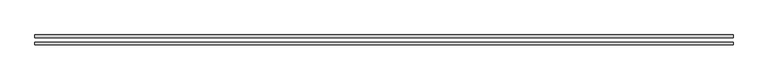
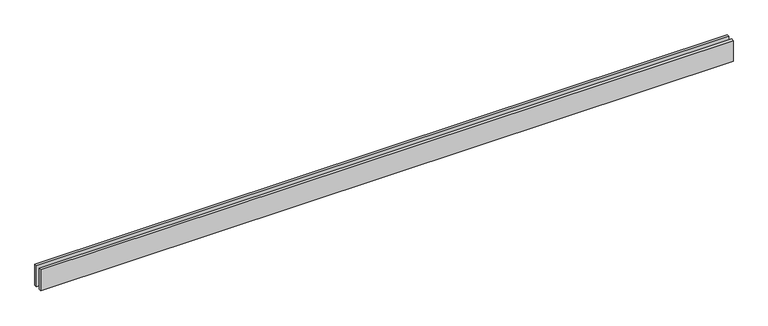
"""IFC4 building model written with IfcOpenShell, lengths in millimetres: proxy geometry."""

from ifc_helpers import new_model, si_unit, origin, origin_with_axes, place, context, project, spatial, polyline, outline, extrude, source, transform, mapped, element, save


def generic_models_5e39c676(model_context):
    return source(origin(), model_context, "Body", "SweptSolid", [
        extrude(outline(polyline([(7813.2034356, 25.0), (0.0, 25.0), (0.0, 55.0), (7813.2034356, 55.0), (7813.2034356, 25.0)])), origin_with_axes(), (0.0, 0.0, 1.0), 250.0),
        extrude(outline(polyline([(7813.2034356, -55.0), (0.0, -55.0), (0.0, -25.0), (7813.2034356, -25.0), (7813.2034356, -55.0)])), origin_with_axes(), (0.0, 0.0, 1.0), 250.0),
    ])


if __name__ == "__main__":
    model = new_model("IFC4")
    model_context = context("Model", 3, world=origin())
    ifc_project = project(units=[si_unit("LENGTHUNIT", "METRE", prefix="MILLI")], contexts=[model_context])
    site = spatial("IfcSite", under=ifc_project)
    building = spatial("IfcBuilding", under=site)
    placement = place(None, origin())
    generic_models_shape = generic_models_5e39c676(model_context)
    element("IfcBuildingElementProxy", 1, Name="Generic Models", at=placement, inside=building, context=model_context, shape_type="MappedRepresentation", body=[
        mapped(generic_models_shape, transform((0.0, 0.0, 0.0), x_axis=(1.0, 0.0, 0.0), y_axis=(0.0, 1.0, 0.0), z_axis=(0.0, 0.0, 1.0))),
    ])
    save(model, "model.ifc")
